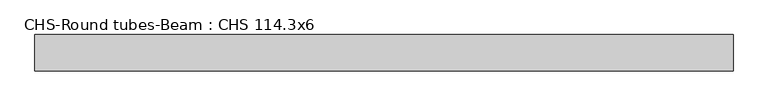
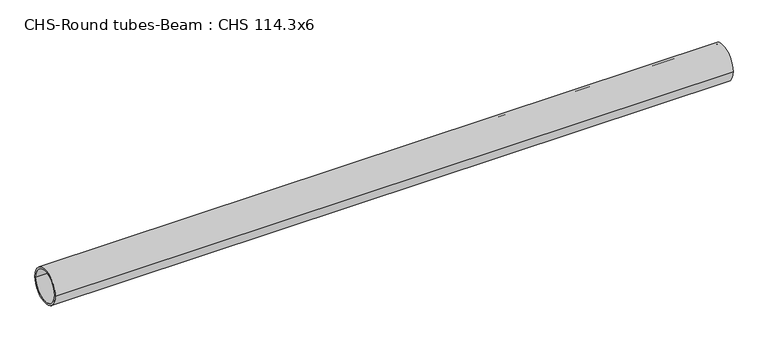
"""IFC4 building model written with IfcOpenShell, lengths in millimetres: beam geometry, CHS-Round tubes-Beam : CHS 114.3x6."""

from ifc_helpers import new_model, si_unit, point, frame, origin, origin_2d, place, context, project, spatial, circle_curve, trimmed, segment, composite_curve, outline, extrude, source, transform, mapped, element, save


def chs_round_tubes_beam_chs_114_3x6_82b0b8d6(model_context):
    return source(origin(), model_context, "Body", "SweptSolid", [
        extrude(outline(composite_curve([segment(trimmed(circle_curve(origin_2d(), 57.15), [point((57.15, 0.0))], [point((-57.15, 0.0))], False, "CARTESIAN"), True, "CONTINUOUS"), segment(trimmed(circle_curve(origin_2d(), 57.15), [point((-57.15, 0.0))], [point((57.15, 0.0))], False, "CARTESIAN"), True, "CONTINUOUS")], self_intersect=False), holes=[composite_curve([segment(trimmed(circle_curve(origin_2d(), 51.15), [point((51.15, 0.0))], [point((-51.15, 0.0))], True, "CARTESIAN"), True, "CONTINUOUS"), segment(trimmed(circle_curve(origin_2d(), 51.15), [point((-51.15, 0.0))], [point((51.15, 0.0))], True, "CARTESIAN"), True, "CONTINUOUS")], self_intersect=False)]), frame((-1067.9850625, 0.0, 0.0), z_axis=(1.0, 0.0, 0.0), x_axis=(0.0, 1.0, 0.0)), (0.0, 0.0, 1.0), 2200.163368),
    ])


if __name__ == "__main__":
    model = new_model("IFC4")
    model_context = context("Model", 3, world=origin())
    ifc_project = project(units=[si_unit("LENGTHUNIT", "METRE", prefix="MILLI")], contexts=[model_context])
    site = spatial("IfcSite", under=ifc_project)
    building = spatial("IfcBuilding", under=site)
    placement = place(None, origin())
    chs_round_tubes_beam_chs_114_3x6_shape = chs_round_tubes_beam_chs_114_3x6_82b0b8d6(model_context)
    element("IfcBeam", 1, ObjectType="CHS-Round tubes-Beam : CHS 114.3x6", at=placement, inside=building, context=model_context, shape_type="MappedRepresentation", body=[
        mapped(chs_round_tubes_beam_chs_114_3x6_shape, transform((0.0, 0.0, 0.0), x_axis=(1.0, 0.0, 0.0), y_axis=(0.0, 1.0, 0.0), z_axis=(0.0, 0.0, 1.0))),
    ])
    save(model, "model.ifc")
